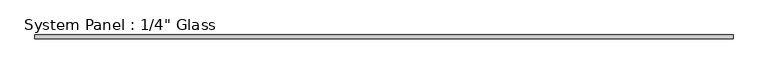
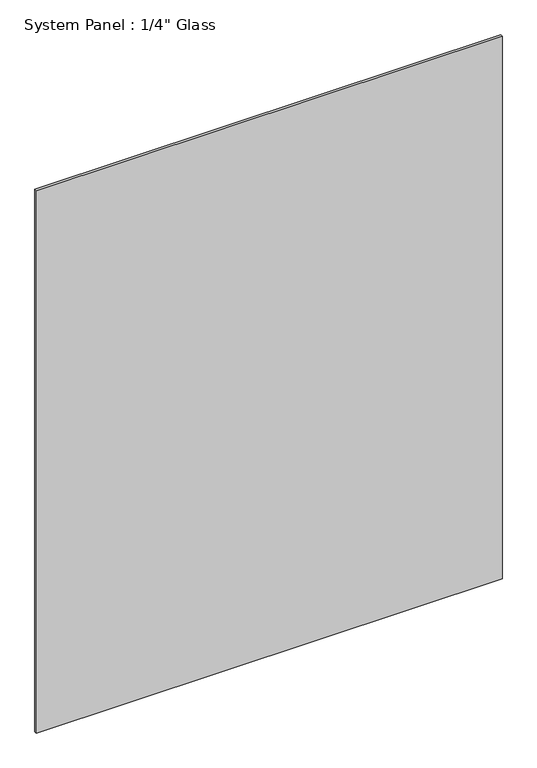
"""IFC4 building model written with IfcOpenShell, lengths in millimetres: plate geometry."""

from ifc_helpers import new_model, si_unit, origin, origin_with_axes, place, context, project, spatial, polyline, outline, extrude, source, transform, mapped, element, save


def plate_29b93940(model_context):
    return source(origin(), model_context, "Body", "SweptSolid", [
        extrude(outline(polyline([(598.4875, -3.175), (-598.4875, -3.175), (-598.4875, 3.175), (598.4875, 3.175), (598.4875, -3.175)])), origin_with_axes(), (0.0, 0.0, 1.0), 1474.3594027),
    ])


if __name__ == "__main__":
    model = new_model("IFC4")
    model_context = context("Model", 3, world=origin())
    ifc_project = project(units=[si_unit("LENGTHUNIT", "METRE", prefix="MILLI")], contexts=[model_context])
    site = spatial("IfcSite", under=ifc_project)
    building = spatial("IfcBuilding", under=site)
    placement = place(None, origin())
    plate_shape = plate_29b93940(model_context)
    element("IfcPlate", 1, ObjectType="System Panel : 1/4\" Glass", at=placement, inside=building, context=model_context, shape_type="MappedRepresentation", body=[
        mapped(plate_shape, transform((0.0, 0.0, 0.0), x_axis=(1.0, 0.0, 0.0), y_axis=(0.0, 1.0, 0.0), z_axis=(0.0, 0.0, 1.0))),
    ])
    save(model, "model.ifc")
